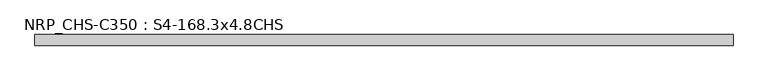
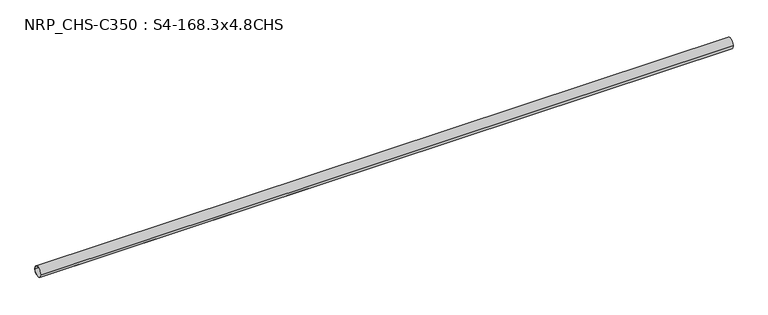
"""IFC4 building model written with IfcOpenShell, lengths in millimetres: beam geometry, NRP_CHS-C350 : S4-168.3x4.8CHS."""

from ifc_helpers import new_model, si_unit, point, frame, origin, origin_2d, place, context, project, spatial, circle_curve, trimmed, segment, composite_curve, outline, extrude, source, transform, mapped, element, save


def nrp_chs_c350_s4_168_3x4_8chs_4864b5ad(model_context):
    return source(origin(), model_context, "Body", "SweptSolid", [
        extrude(outline(composite_curve([segment(trimmed(circle_curve(origin_2d(), 84.15), [point((84.15, 0.0))], [point((-84.15, 0.0))], False, "CARTESIAN"), True, "CONTINUOUS"), segment(trimmed(circle_curve(origin_2d(), 84.15), [point((-84.15, 0.0))], [point((84.15, 0.0))], False, "CARTESIAN"), True, "CONTINUOUS")], self_intersect=False), holes=[composite_curve([segment(trimmed(circle_curve(origin_2d(), 79.35), [point((-79.35, 0.0))], [point((79.35, 0.0))], True, "CARTESIAN"), True, "CONTINUOUS"), segment(trimmed(circle_curve(origin_2d(), 79.35), [point((79.35, 0.0))], [point((-79.35, 0.0))], True, "CARTESIAN"), True, "CONTINUOUS")], self_intersect=False)]), frame((-5512.3, 0.0, 0.0), z_axis=(1.0, 0.0, 0.0), x_axis=(0.0, 1.0, 0.0)), (0.0, 0.0, 1.0), 11024.6),
    ])


if __name__ == "__main__":
    model = new_model("IFC4")
    model_context = context("Model", 3, world=origin())
    ifc_project = project(units=[si_unit("LENGTHUNIT", "METRE", prefix="MILLI")], contexts=[model_context])
    site = spatial("IfcSite", under=ifc_project)
    building = spatial("IfcBuilding", under=site)
    placement = place(None, origin())
    nrp_chs_c350_s4_168_3x4_8chs_shape = nrp_chs_c350_s4_168_3x4_8chs_4864b5ad(model_context)
    element("IfcBeam", 1, ObjectType="NRP_CHS-C350 : S4-168.3x4.8CHS", at=placement, inside=building, context=model_context, shape_type="MappedRepresentation", body=[
        mapped(nrp_chs_c350_s4_168_3x4_8chs_shape, transform((0.0, 0.0, 0.0), x_axis=(1.0, 0.0, 0.0), y_axis=(0.0, 1.0, 0.0), z_axis=(0.0, 0.0, 1.0))),
    ])
    save(model, "model.ifc")
